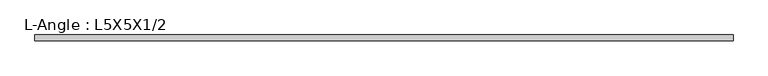
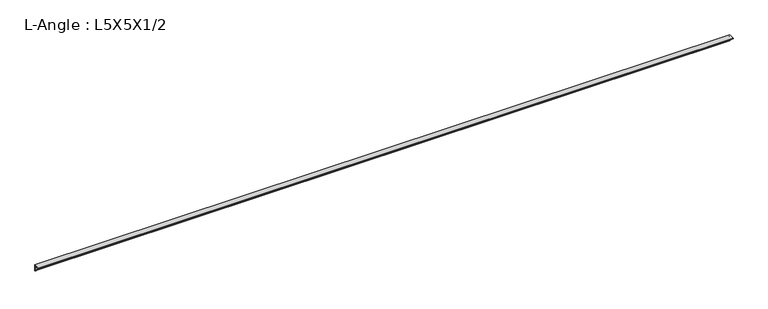
"""IFC4 building model written with IfcOpenShell, lengths in millimetres: beam geometry, L-Angle : L5X5X1/2."""

from ifc_helpers import new_model, si_unit, point, frame, frame_2d, origin, place, context, project, spatial, polyline, circle_curve, trimmed, segment, composite_curve, outline, extrude, source, transform, mapped, element, save


def l_angle_l5x5x1_2_16b32a7f(model_context):
    return source(origin(), model_context, "Body", "SweptSolid", [
        extrude(outline(composite_curve([segment(polyline([(36.068, 36.068), (36.068, -90.932)]), True, "CONTINUOUS"), segment(trimmed(circle_curve(frame_2d((36.068, -78.232)), 12.7), [point((36.068, -90.932))], [point((23.368, -78.232))], False, "CARTESIAN"), True, "CONTINUOUS"), segment(polyline([(23.368, -78.232), (23.368, 10.668)]), True, "CONTINUOUS"), segment(trimmed(circle_curve(frame_2d((10.668, 10.668)), 12.7), [point((23.368, 10.668))], [point((10.668, 23.368))], True, "CARTESIAN"), True, "CONTINUOUS"), segment(polyline([(10.668, 23.368), (-78.232, 23.368)]), True, "CONTINUOUS"), segment(trimmed(circle_curve(frame_2d((-78.232, 36.068)), 12.7), [point((-78.232, 23.368))], [point((-90.932, 36.068))], False, "CARTESIAN"), True, "CONTINUOUS"), segment(polyline([(-90.932, 36.068), (36.068, 36.068)]), True, "CONTINUOUS")], self_intersect=False)), frame((-7445.6239727, 0.0, 0.0), z_axis=(1.0, 0.0, 0.0), x_axis=(0.0, 1.0, 0.0)), (0.0, 0.0, 1.0), 14885.6649727),
    ])


if __name__ == "__main__":
    model = new_model("IFC4")
    model_context = context("Model", 3, world=origin())
    ifc_project = project(units=[si_unit("LENGTHUNIT", "METRE", prefix="MILLI")], contexts=[model_context])
    site = spatial("IfcSite", under=ifc_project)
    building = spatial("IfcBuilding", under=site)
    placement = place(None, origin())
    l_angle_l5x5x1_2_shape = l_angle_l5x5x1_2_16b32a7f(model_context)
    element("IfcBeam", 1, ObjectType="L-Angle : L5X5X1/2", at=placement, inside=building, context=model_context, shape_type="MappedRepresentation", body=[
        mapped(l_angle_l5x5x1_2_shape, transform((0.0, 0.0, 0.0), x_axis=(1.0, 0.0, 0.0), y_axis=(0.0, 1.0, 0.0), z_axis=(0.0, 0.0, 1.0))),
    ])
    save(model, "model.ifc")
